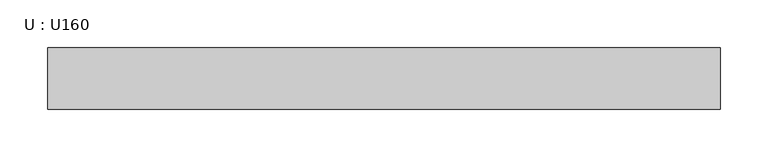
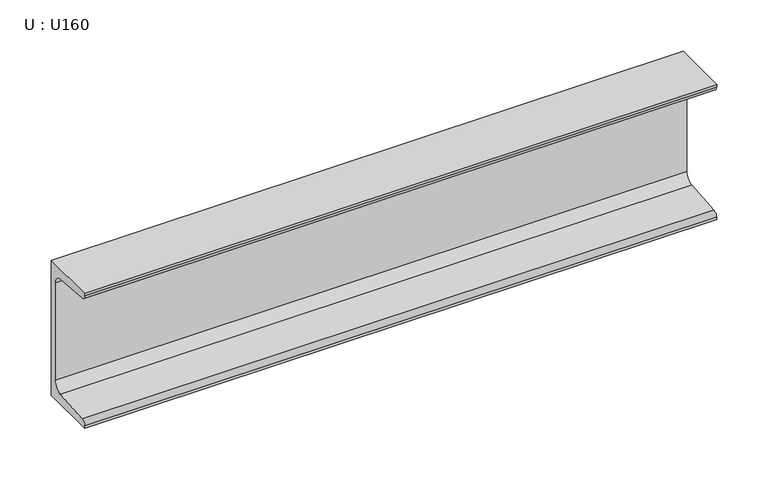
"""IFC4 building model written with IfcOpenShell, lengths in millimetres: beam geometry, U : U160."""

import ifcopenshell
import ifcopenshell.guid

model = None  # the IFC model being written
_history = None  # IfcOwnerHistory: only IFC2X3 demands one
_inside = {}  # id of a spatial element -> (the spatial element, [elements in it])
_under = {}  # id of a project, library or spatial element -> (it, [spatial elements below it])
_declared = {}  # id of a project -> (the project, [libraries it declares])
_typed = {}  # id of a type object -> (the type object, [elements of that type])
_made_of = {}  # id of a material, layer set ... -> (it, [elements and type objects made of it])


def new_model(schema):
    """Start an empty IFC model of exactly this schema.

    Asked for "IFC4X3", IfcOpenShell would pick the latest addendum, in which some entities
    have other attributes; the version numbers below select the first issue.
    IFC2X3 requires an IfcOwnerHistory on every rooted entity: one is made here for all.
    """
    global model, _history
    if schema == "IFC4X3":
        model = ifcopenshell.file(schema_version=(4, 3, 0, 0))
    else:
        model = ifcopenshell.file(schema=schema)
    _inside.clear()
    _under.clear()
    _declared.clear()
    _typed.clear()
    _made_of.clear()
    _history = None
    if model.schema == "IFC2X3":
        org = make("IfcOrganization", Name="unknown")
        user = make(
            "IfcPersonAndOrganization",
            ThePerson=make("IfcPerson", FamilyName="unknown"),
            TheOrganization=org,
        )
        app = make(
            "IfcApplication",
            ApplicationDeveloper=org,
            Version="unknown",
            ApplicationFullName="unknown",
            ApplicationIdentifier="unknown",
        )
        _history = make(
            "IfcOwnerHistory",
            OwningUser=user,
            OwningApplication=app,
            ChangeAction="ADDED",
            CreationDate=0,
        )
    return model


def make(cls, **values):
    """One entity of the class cls with the attributes given. An attribute that is None is left unset."""
    return model.create_entity(
        cls, **{name: value for name, value in values.items() if value is not None}
    )


def rooted(cls, **values):
    """An entity with a GlobalId (a new one), such as an element, a storey or a relation."""
    return make(cls, GlobalId=ifcopenshell.guid.new(), OwnerHistory=_history, **values)


def si_unit(unit_type, name, prefix=None):
    """IfcSIUnit, for example si_unit("LENGTHUNIT", "METRE", prefix="MILLI")."""
    return make("IfcSIUnit", UnitType=unit_type, Prefix=prefix, Name=name)


def assignment(units):
    """IfcUnitAssignment: the units of a project."""
    return None if units is None else make("IfcUnitAssignment", Units=units)


def point(xyz):
    """IfcCartesianPoint."""
    return None if xyz is None else make("IfcCartesianPoint", Coordinates=xyz)


def direction(xyz):
    """IfcDirection."""
    return None if xyz is None else make("IfcDirection", DirectionRatios=xyz)


def frame(location, z_axis=None, x_axis=None):
    """IfcAxis2Placement3D, a coordinate frame: its origin and axes. An axis left out is left unset."""
    return make(
        "IfcAxis2Placement3D",
        Location=point(location),
        Axis=direction(z_axis),
        RefDirection=direction(x_axis),
    )


def frame_2d(location, x_axis=None):
    """IfcAxis2Placement2D, a coordinate frame in the plane: its origin and x axis."""
    return make(
        "IfcAxis2Placement2D", Location=point(location), RefDirection=direction(x_axis)
    )


def origin():
    """The frame at (0, 0, 0) with its axes left unset."""
    return frame((0.0, 0.0, 0.0))


def place(relative_to, where):
    """IfcLocalPlacement: puts the frame where relative to a parent placement (None: the world)."""
    return make(
        "IfcLocalPlacement", PlacementRelTo=relative_to, RelativePlacement=where
    )


def context(
    kind, dimensions, precision=None, world=None, true_north=None, identifier=None
):
    """IfcGeometricRepresentationContext, for example the 3D "Model" context."""
    return make(
        "IfcGeometricRepresentationContext",
        ContextIdentifier=identifier,
        ContextType=kind,
        CoordinateSpaceDimension=dimensions,
        Precision=precision,
        WorldCoordinateSystem=world,
        TrueNorth=true_north,
    )


def project(units=None, contexts=None):
    """IfcProject with its units and contexts."""
    return rooted(
        "IfcProject",
        Name="project",
        RepresentationContexts=contexts,
        UnitsInContext=assignment(units),
    )


def spatial(cls, under=None, at=None, **own):
    """A site, building, storey or space (cls), placed at a placement, below another one or the project."""
    s = rooted(cls, ObjectPlacement=at, **own)
    if under is not None:
        _under.setdefault(under.id(), (under, []))[1].append(s)
    return s


def polyline(points):
    """IfcPolyline through the points."""
    return make("IfcPolyline", Points=[point(p) for p in points])


def circle_curve(where, radius):
    """IfcCircle in the frame where."""
    return make("IfcCircle", Position=where, Radius=radius)


def trimmed(basis, trim1, trim2, sense, master):
    """IfcTrimmedCurve: the piece of a basis curve between two trims."""
    return make(
        "IfcTrimmedCurve",
        BasisCurve=basis,
        Trim1=trim1,
        Trim2=trim2,
        SenseAgreement=sense,
        MasterRepresentation=master,
    )


def segment(curve, same_sense, transition):
    """IfcCompositeCurveSegment."""
    return make(
        "IfcCompositeCurveSegment",
        Transition=transition,
        SameSense=same_sense,
        ParentCurve=curve,
    )


def composite_curve(segments, self_intersect=None):
    """IfcCompositeCurve: segments joined end to end."""
    return make("IfcCompositeCurve", Segments=segments, SelfIntersect=self_intersect)


def outline(outer, holes=None, kind="AREA"):
    """IfcArbitraryClosedProfileDef: a profile drawn as a closed curve; with holes, ...WithVoids."""
    if holes is None:
        return make("IfcArbitraryClosedProfileDef", ProfileType=kind, OuterCurve=outer)
    return make(
        "IfcArbitraryProfileDefWithVoids",
        ProfileType=kind,
        OuterCurve=outer,
        InnerCurves=holes,
    )


def extrude(swept, where, along, depth):
    """IfcExtrudedAreaSolid: the profile swept, set in the frame where, extruded along a direction by depth."""
    return make(
        "IfcExtrudedAreaSolid",
        SweptArea=swept,
        Position=where,
        ExtrudedDirection=direction(along),
        Depth=depth,
    )


def shape(context_of_items, identifier, shape_type, items):
    """IfcShapeRepresentation: the items that make up one representation, for example the "Body"."""
    return make(
        "IfcShapeRepresentation",
        ContextOfItems=context_of_items,
        RepresentationIdentifier=identifier,
        RepresentationType=shape_type,
        Items=items,
    )


def source(mapping_origin, context_of_items, identifier, shape_type, items):
    """IfcRepresentationMap: a shape defined once, which mapped items show again and again."""
    return make(
        "IfcRepresentationMap",
        MappingOrigin=mapping_origin,
        MappedRepresentation=shape(context_of_items, identifier, shape_type, items),
    )


def transform(
    local_origin,
    x_axis=None,
    y_axis=None,
    z_axis=None,
    scale=None,
    scale2=None,
    scale3=None,
    uniform=True,
):
    """IfcCartesianTransformationOperator3D, or its non-uniform kind. x_axis, y_axis, z_axis: its Axis1, 2, 3."""
    if uniform:
        return make(
            "IfcCartesianTransformationOperator3D",
            Axis1=direction(x_axis),
            Axis2=direction(y_axis),
            LocalOrigin=point(local_origin),
            Scale=scale,
            Axis3=direction(z_axis),
        )
    return make(
        "IfcCartesianTransformationOperator3DnonUniform",
        Axis1=direction(x_axis),
        Axis2=direction(y_axis),
        LocalOrigin=point(local_origin),
        Scale=scale,
        Axis3=direction(z_axis),
        Scale2=scale2,
        Scale3=scale3,
    )


def mapped(mapping_source, mapping_target):
    """IfcMappedItem: shows the shape of a source again, moved by a transform."""
    return make(
        "IfcMappedItem", MappingSource=mapping_source, MappingTarget=mapping_target
    )


def made_of(thing, what):
    """Note that an element or type object is made of a material, layer set ...; save() writes the relation."""
    if what is not None:
        _made_of.setdefault(what.id(), (what, []))[1].append(thing)
    return thing


def element(
    cls,
    number,
    at=None,
    inside=None,
    cuts=None,
    type_object=None,
    material=None,
    context=None,
    identifier="Body",
    shape_type=None,
    held_by="IfcProductDefinitionShape",
    body=None,
    shapes=None,
    **own,
):
    """One element of the class cls, such as IfcWall. Its Tag is "e" and its number.

    at: its placement. inside: the storey or other place that contains it. cuts: it is an
    opening in that element (IfcRelVoidsElement). A single representation is given by context,
    identifier, shape_type and body (its items); several are given by shapes. held_by: the class
    of the entity that holds the representations. save() writes the other relations.
    """
    e = rooted(cls, Tag="e%d" % number, ObjectPlacement=at, **own)
    if body is not None:
        shapes = [shape(context, identifier, shape_type, body)]
    if shapes is not None:
        e.Representation = make(held_by, Representations=shapes)
    if inside is not None:
        _inside.setdefault(inside.id(), (inside, []))[1].append(e)
    if cuts is not None:
        rooted(
            "IfcRelVoidsElement", RelatingBuildingElement=cuts, RelatedOpeningElement=e
        )
    if type_object is not None:
        _typed.setdefault(type_object.id(), (type_object, []))[1].append(e)
    return made_of(e, material)


def aggregate(whole, parts):
    """IfcRelAggregates: a whole, such as a stair, and the parts it consists of."""
    return rooted("IfcRelAggregates", RelatingObject=whole, RelatedObjects=parts)


def save(model, path):
    """Write the relations noted so far, then the file.

    IfcRelAggregates (storeys below a building ...), IfcRelContainedInSpatialStructure (elements
    in a storey), IfcRelDefinesByType, IfcRelAssociatesMaterial and IfcRelDeclares: one each for
    every whole, place, type object, material and project.
    """
    for whole, parts in _under.values():
        aggregate(whole, parts)
    for where, things in _inside.values():
        rooted(
            "IfcRelContainedInSpatialStructure",
            RelatedElements=things,
            RelatingStructure=where,
        )
    for kind, things in _typed.values():
        rooted("IfcRelDefinesByType", RelatedObjects=things, RelatingType=kind)
    for what, things in _made_of.values():
        rooted("IfcRelAssociatesMaterial", RelatedObjects=things, RelatingMaterial=what)
    for by, libraries in _declared.values():
        rooted("IfcRelDeclares", RelatingContext=by, RelatedDefinitions=libraries)
    model.write(path)


def u_u160_ce4f7781(model_context):
    return source(origin(), model_context, "Body", "SweptSolid", [
        extrude(outline(composite_curve([segment(polyline([(18.4, 80.0), (18.4, -80.0), (-46.6, -80.0), (-46.6, -77.1756821)]), True, "CONTINUOUS"), segment(trimmed(circle_curve(frame_2d((-41.1, -77.1756821)), 5.5), [point((-46.6, -77.1756821))], [point((-41.5382235, -71.693168))], False, "CARTESIAN"), True, "CONTINUOUS"), segment(polyline([(-41.5382235, -71.693168), (1.2366085, -68.2741277)]), True, "CONTINUOUS"), segment(trimmed(circle_curve(frame_2d((0.4, -57.8075099)), 10.5), [point((1.2366085, -68.2741277))], [point((10.9, -57.8075099))], True, "CARTESIAN"), True, "CONTINUOUS"), segment(polyline([(10.9, -57.8075099), (10.9, 57.8075099)]), True, "CONTINUOUS"), segment(trimmed(circle_curve(frame_2d((0.4, 57.8075099)), 10.5), [point((10.9, 57.8075099))], [point((1.2366085, 68.2741277))], True, "CARTESIAN"), True, "CONTINUOUS"), segment(polyline([(1.2366085, 68.2741277), (-41.5382235, 71.693168)]), True, "CONTINUOUS"), segment(trimmed(circle_curve(frame_2d((-41.1, 77.1756821)), 5.5), [point((-41.5382235, 71.693168))], [point((-46.6, 77.1756821))], False, "CARTESIAN"), True, "CONTINUOUS"), segment(polyline([(-46.6, 77.1756821), (-46.6, 80.0), (18.4, 80.0)]), True, "CONTINUOUS")], self_intersect=False)), frame((-354.0, 0.0, 0.0), z_axis=(1.0, 0.0, 0.0), x_axis=(0.0, 1.0, 0.0)), (0.0, 0.0, 1.0), 708.0),
    ])


if __name__ == "__main__":
    model = new_model("IFC4")
    model_context = context("Model", 3, world=origin())
    ifc_project = project(units=[si_unit("LENGTHUNIT", "METRE", prefix="MILLI")], contexts=[model_context])
    site = spatial("IfcSite", under=ifc_project)
    building = spatial("IfcBuilding", under=site)
    placement = place(None, origin())
    u_u160_shape = u_u160_ce4f7781(model_context)
    element("IfcBeam", 1, ObjectType="U : U160", at=placement, inside=building, context=model_context, shape_type="MappedRepresentation", body=[
        mapped(u_u160_shape, transform((0.0, 0.0, 0.0), x_axis=(1.0, 0.0, 0.0), y_axis=(0.0, 1.0, 0.0), z_axis=(0.0, 0.0, 1.0))),
    ])
    save(model, "model.ifc")
